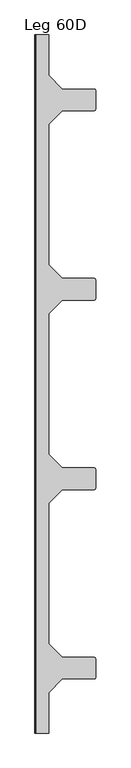
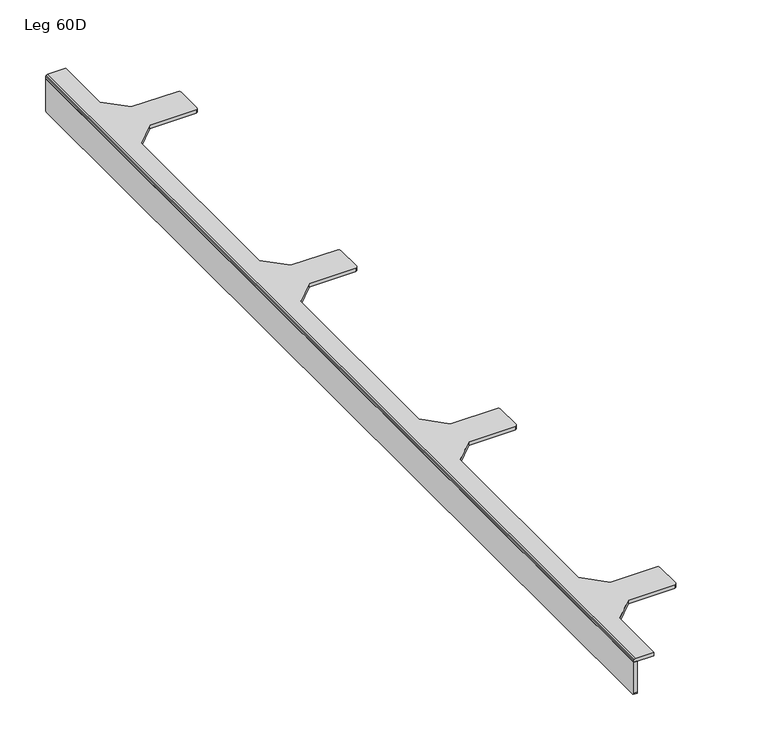
"""IFC4 building model written with IfcOpenShell, lengths in millimetres: furniture geometry, Leg 60D."""

import ifcopenshell
import ifcopenshell.guid

model = None  # the IFC model being written
_history = None  # IfcOwnerHistory: only IFC2X3 demands one
_inside = {}  # id of a spatial element -> (the spatial element, [elements in it])
_under = {}  # id of a project, library or spatial element -> (it, [spatial elements below it])
_declared = {}  # id of a project -> (the project, [libraries it declares])
_typed = {}  # id of a type object -> (the type object, [elements of that type])
_made_of = {}  # id of a material, layer set ... -> (it, [elements and type objects made of it])


def new_model(schema):
    """Start an empty IFC model of exactly this schema.

    Asked for "IFC4X3", IfcOpenShell would pick the latest addendum, in which some entities
    have other attributes; the version numbers below select the first issue.
    IFC2X3 requires an IfcOwnerHistory on every rooted entity: one is made here for all.
    """
    global model, _history
    if schema == "IFC4X3":
        model = ifcopenshell.file(schema_version=(4, 3, 0, 0))
    else:
        model = ifcopenshell.file(schema=schema)
    _inside.clear()
    _under.clear()
    _declared.clear()
    _typed.clear()
    _made_of.clear()
    _history = None
    if model.schema == "IFC2X3":
        org = make("IfcOrganization", Name="unknown")
        user = make(
            "IfcPersonAndOrganization",
            ThePerson=make("IfcPerson", FamilyName="unknown"),
            TheOrganization=org,
        )
        app = make(
            "IfcApplication",
            ApplicationDeveloper=org,
            Version="unknown",
            ApplicationFullName="unknown",
            ApplicationIdentifier="unknown",
        )
        _history = make(
            "IfcOwnerHistory",
            OwningUser=user,
            OwningApplication=app,
            ChangeAction="ADDED",
            CreationDate=0,
        )
    return model


def make(cls, **values):
    """One entity of the class cls with the attributes given. An attribute that is None is left unset."""
    return model.create_entity(
        cls, **{name: value for name, value in values.items() if value is not None}
    )


def rooted(cls, **values):
    """An entity with a GlobalId (a new one), such as an element, a storey or a relation."""
    return make(cls, GlobalId=ifcopenshell.guid.new(), OwnerHistory=_history, **values)


def si_unit(unit_type, name, prefix=None):
    """IfcSIUnit, for example si_unit("LENGTHUNIT", "METRE", prefix="MILLI")."""
    return make("IfcSIUnit", UnitType=unit_type, Prefix=prefix, Name=name)


def assignment(units):
    """IfcUnitAssignment: the units of a project."""
    return None if units is None else make("IfcUnitAssignment", Units=units)


def point(xyz):
    """IfcCartesianPoint."""
    return None if xyz is None else make("IfcCartesianPoint", Coordinates=xyz)


def direction(xyz):
    """IfcDirection."""
    return None if xyz is None else make("IfcDirection", DirectionRatios=xyz)


def frame(location, z_axis=None, x_axis=None):
    """IfcAxis2Placement3D, a coordinate frame: its origin and axes. An axis left out is left unset."""
    return make(
        "IfcAxis2Placement3D",
        Location=point(location),
        Axis=direction(z_axis),
        RefDirection=direction(x_axis),
    )


def origin():
    """The frame at (0, 0, 0) with its axes left unset."""
    return frame((0.0, 0.0, 0.0))


def place(relative_to, where):
    """IfcLocalPlacement: puts the frame where relative to a parent placement (None: the world)."""
    return make(
        "IfcLocalPlacement", PlacementRelTo=relative_to, RelativePlacement=where
    )


def context(
    kind, dimensions, precision=None, world=None, true_north=None, identifier=None
):
    """IfcGeometricRepresentationContext, for example the 3D "Model" context."""
    return make(
        "IfcGeometricRepresentationContext",
        ContextIdentifier=identifier,
        ContextType=kind,
        CoordinateSpaceDimension=dimensions,
        Precision=precision,
        WorldCoordinateSystem=world,
        TrueNorth=true_north,
    )


def project(units=None, contexts=None):
    """IfcProject with its units and contexts."""
    return rooted(
        "IfcProject",
        Name="project",
        RepresentationContexts=contexts,
        UnitsInContext=assignment(units),
    )


def spatial(cls, under=None, at=None, **own):
    """A site, building, storey or space (cls), placed at a placement, below another one or the project."""
    s = rooted(cls, ObjectPlacement=at, **own)
    if under is not None:
        _under.setdefault(under.id(), (under, []))[1].append(s)
    return s


def polyline(points):
    """IfcPolyline through the points."""
    return make("IfcPolyline", Points=[point(p) for p in points])


def outline(outer, holes=None, kind="AREA"):
    """IfcArbitraryClosedProfileDef: a profile drawn as a closed curve; with holes, ...WithVoids."""
    if holes is None:
        return make("IfcArbitraryClosedProfileDef", ProfileType=kind, OuterCurve=outer)
    return make(
        "IfcArbitraryProfileDefWithVoids",
        ProfileType=kind,
        OuterCurve=outer,
        InnerCurves=holes,
    )


def extrude(swept, where, along, depth):
    """IfcExtrudedAreaSolid: the profile swept, set in the frame where, extruded along a direction by depth."""
    return make(
        "IfcExtrudedAreaSolid",
        SweptArea=swept,
        Position=where,
        ExtrudedDirection=direction(along),
        Depth=depth,
    )


def faces_of(points, faces, orient=None, outer=None):
    """IfcFace entities. A face is a list of loops; a loop is a list of indices into points, from 0.

    orient and outer hold one flag for each loop. By default every Orientation is true, the
    first loop of a face is its IfcFaceOuterBound and the others are IfcFaceBound.
    """
    made = []
    for i, loops in enumerate(faces):
        bounds = []
        for j, loop in enumerate(loops):
            is_outer = j == 0 if outer is None else outer[i][j]
            bounds.append(
                make(
                    "IfcFaceOuterBound" if is_outer else "IfcFaceBound",
                    Bound=make("IfcPolyLoop", Polygon=[points[k] for k in loop]),
                    Orientation=True if orient is None else orient[i][j],
                )
            )
        made.append(make("IfcFace", Bounds=bounds))
    return made


def faceted_brep(points, faces, orient=None, outer=None, voids=None):
    """IfcFacetedBrep: a solid bounded by flat faces; with voids (closed shells), ...WithVoids."""
    shared = [point(p) for p in points]
    hull = make("IfcClosedShell", CfsFaces=faces_of(shared, faces, orient, outer))
    if voids is None:
        return make("IfcFacetedBrep", Outer=hull)
    return make(
        "IfcFacetedBrepWithVoids",
        Outer=hull,
        Voids=[
            make(cls, CfsFaces=faces_of(shared, fs, o, b)) for cls, fs, o, b in voids
        ],
    )


def shape(context_of_items, identifier, shape_type, items):
    """IfcShapeRepresentation: the items that make up one representation, for example the "Body"."""
    return make(
        "IfcShapeRepresentation",
        ContextOfItems=context_of_items,
        RepresentationIdentifier=identifier,
        RepresentationType=shape_type,
        Items=items,
    )


def source(mapping_origin, context_of_items, identifier, shape_type, items):
    """IfcRepresentationMap: a shape defined once, which mapped items show again and again."""
    return make(
        "IfcRepresentationMap",
        MappingOrigin=mapping_origin,
        MappedRepresentation=shape(context_of_items, identifier, shape_type, items),
    )


def transform(
    local_origin,
    x_axis=None,
    y_axis=None,
    z_axis=None,
    scale=None,
    scale2=None,
    scale3=None,
    uniform=True,
):
    """IfcCartesianTransformationOperator3D, or its non-uniform kind. x_axis, y_axis, z_axis: its Axis1, 2, 3."""
    if uniform:
        return make(
            "IfcCartesianTransformationOperator3D",
            Axis1=direction(x_axis),
            Axis2=direction(y_axis),
            LocalOrigin=point(local_origin),
            Scale=scale,
            Axis3=direction(z_axis),
        )
    return make(
        "IfcCartesianTransformationOperator3DnonUniform",
        Axis1=direction(x_axis),
        Axis2=direction(y_axis),
        LocalOrigin=point(local_origin),
        Scale=scale,
        Axis3=direction(z_axis),
        Scale2=scale2,
        Scale3=scale3,
    )


def mapped(mapping_source, mapping_target):
    """IfcMappedItem: shows the shape of a source again, moved by a transform."""
    return make(
        "IfcMappedItem", MappingSource=mapping_source, MappingTarget=mapping_target
    )


def made_of(thing, what):
    """Note that an element or type object is made of a material, layer set ...; save() writes the relation."""
    if what is not None:
        _made_of.setdefault(what.id(), (what, []))[1].append(thing)
    return thing


def element(
    cls,
    number,
    at=None,
    inside=None,
    cuts=None,
    type_object=None,
    material=None,
    context=None,
    identifier="Body",
    shape_type=None,
    held_by="IfcProductDefinitionShape",
    body=None,
    shapes=None,
    **own,
):
    """One element of the class cls, such as IfcWall. Its Tag is "e" and its number.

    at: its placement. inside: the storey or other place that contains it. cuts: it is an
    opening in that element (IfcRelVoidsElement). A single representation is given by context,
    identifier, shape_type and body (its items); several are given by shapes. held_by: the class
    of the entity that holds the representations. save() writes the other relations.
    """
    e = rooted(cls, Tag="e%d" % number, ObjectPlacement=at, **own)
    if body is not None:
        shapes = [shape(context, identifier, shape_type, body)]
    if shapes is not None:
        e.Representation = make(held_by, Representations=shapes)
    if inside is not None:
        _inside.setdefault(inside.id(), (inside, []))[1].append(e)
    if cuts is not None:
        rooted(
            "IfcRelVoidsElement", RelatingBuildingElement=cuts, RelatedOpeningElement=e
        )
    if type_object is not None:
        _typed.setdefault(type_object.id(), (type_object, []))[1].append(e)
    return made_of(e, material)


def aggregate(whole, parts):
    """IfcRelAggregates: a whole, such as a stair, and the parts it consists of."""
    return rooted("IfcRelAggregates", RelatingObject=whole, RelatedObjects=parts)


def save(model, path):
    """Write the relations noted so far, then the file.

    IfcRelAggregates (storeys below a building ...), IfcRelContainedInSpatialStructure (elements
    in a storey), IfcRelDefinesByType, IfcRelAssociatesMaterial and IfcRelDeclares: one each for
    every whole, place, type object, material and project.
    """
    for whole, parts in _under.values():
        aggregate(whole, parts)
    for where, things in _inside.values():
        rooted(
            "IfcRelContainedInSpatialStructure",
            RelatedElements=things,
            RelatingStructure=where,
        )
    for kind, things in _typed.values():
        rooted("IfcRelDefinesByType", RelatedObjects=things, RelatingType=kind)
    for what, things in _made_of.values():
        rooted("IfcRelAssociatesMaterial", RelatedObjects=things, RelatingMaterial=what)
    for by, libraries in _declared.values():
        rooted("IfcRelDeclares", RelatingContext=by, RelatedDefinitions=libraries)
    model.write(path)


def leg_60d_b6bd0a25(model_context):
    return source(origin(), model_context, "Body", "SolidModel", [
        extrude(outline(polyline([(-645.0076, 644.4608809), (645.0076, 644.4608809), (645.0076, 603.0590079), (644.1955808, 601.0986294), (642.4278108, 600.3663703), (-642.4277898, 600.3663703), (-644.1955802, 601.098613), (-645.0076, 603.0590024), (-645.0076, 644.4608809)])), frame((0.0, 0.0, 0.0), z_axis=(1.0, 0.0, 0.0), x_axis=(0.0, 1.0, 0.0)), (0.0, 0.0, 1.0), 4.75552),
        faceted_brep([(25.4000008, -645.0076, 649.2164045), (25.4000008, -570.4076113, 649.2164045), (50.8000015, -545.0075992, 649.2164045), (109.8100034, -545.0075992, 649.2164045), (111.5777643, -544.2753765, 649.2164045), (112.3099961, -542.5076065, 649.2164045), (112.3099961, -507.507599, 649.2164045), (111.5777643, -505.7398289, 649.2164045), (109.8100034, -505.0076062, 649.2164045), (50.8000015, -505.0076062, 649.2164045), (25.4000008, -479.6075941, 649.2164045), (25.4000008, -220.3999918, 649.2164045), (50.8000015, -194.9999979, 649.2164045), (109.8100034, -194.9999979, 649.2164045), (111.5777643, -194.2677751, 649.2164045), (112.3099961, -192.5000051, 649.2164045), (112.3099961, -157.4999976, 649.2164045), (111.5777643, -155.7322276, 649.2164045), (109.8100034, -155.0000048, 649.2164045), (50.8000015, -155.0000048, 649.2164045), (25.4000008, -129.6000018, 649.2164045), (25.4000008, 129.6000018, 649.2164045), (50.8000015, 155.0000048, 649.2164045), (109.8100034, 155.0000048, 649.2164045), (111.5777643, 155.7322276, 649.2164045), (112.3099961, 157.4999976, 649.2164045), (112.3099961, 192.5000051, 649.2164045), (111.5777643, 194.2677751, 649.2164045), (109.8100034, 194.9999979, 649.2164045), (50.8000015, 194.9999979, 649.2164045), (25.4000008, 220.3999918, 649.2164045), (25.4000008, 479.6075941, 649.2164045), (50.8000015, 505.0076062, 649.2164045), (109.8100034, 505.0076062, 649.2164045), (111.5777643, 505.7398289, 649.2164045), (112.3099961, 507.507599, 649.2164045), (112.3099961, 542.5076065, 649.2164045), (111.5777643, 544.2753765, 649.2164045), (109.8100034, 545.0075992, 649.2164045), (50.8000015, 545.0075992, 649.2164045), (25.4000008, 570.4076113, 649.2164045), (25.4000008, 645.0076, 649.2164045), (2.5000001, 645.0076, 649.2164045), (2.5000001, -645.0076, 649.2164045), (0.0, -645.0076, 644.4608809), (0.0, 645.0076, 644.4608809), (25.4000008, 645.0076, 644.4608809), (25.4000008, 570.4076113, 644.4608809), (50.8000015, 545.0075992, 644.4608809), (109.8100034, 545.0075992, 644.4608809), (111.5777643, 544.2753765, 644.4608809), (112.3099961, 542.5076065, 644.4608809), (112.3099961, 507.507599, 644.4608809), (111.5777643, 505.7398289, 644.4608809), (109.8100034, 505.0076062, 644.4608809), (50.8000015, 505.0076062, 644.4608809), (25.4000008, 479.6075941, 644.4608809), (25.4000008, 220.3999918, 644.4608809), (50.8000015, 194.9999979, 644.4608809), (109.8100034, 194.9999979, 644.4608809), (111.5777643, 194.2677751, 644.4608809), (112.3099961, 192.5000051, 644.4608809), (112.3099961, 157.4999976, 644.4608809), (111.5777643, 155.7322276, 644.4608809), (109.8100034, 155.0000048, 644.4608809), (50.8000015, 155.0000048, 644.4608809), (25.4000008, 129.6000018, 644.4608809), (25.4000008, -129.6000018, 644.4608809), (50.8000015, -155.0000048, 644.4608809), (109.8100034, -155.0000048, 644.4608809), (111.5777643, -155.7322276, 644.4608809), (112.3099961, -157.4999976, 644.4608809), (112.3099961, -192.5000051, 644.4608809), (111.5777643, -194.2677751, 644.4608809), (109.8100034, -194.9999979, 644.4608809), (50.8000015, -194.9999979, 644.4608809), (25.4000008, -220.3999918, 644.4608809), (25.4000008, -479.6075941, 644.4608809), (50.8000015, -505.0076062, 644.4608809), (109.8100034, -505.0076062, 644.4608809), (111.5777643, -505.7398289, 644.4608809), (112.3099961, -507.507599, 644.4608809), (112.3099961, -542.5076065, 644.4608809), (111.5777643, -544.2753765, 644.4608809), (109.8100034, -545.0075992, 644.4608809), (50.8000015, -545.0075992, 644.4608809), (25.4000008, -570.4076113, 644.4608809), (25.4000008, -645.0076, 644.4608809), (0.732233, -645.0076, 648.4841818), (0.0, -645.0076, 646.7164118), (0.0, 645.0076, 646.7164118), (0.732233, 645.0076, 648.4841818)], [[[0, 1, 2, 3, 4, 5, 6, 7, 8, 9, 10, 11, 12, 13, 14, 15, 16, 17, 18, 19, 20, 21, 22, 23, 24, 25, 26, 27, 28, 29, 30, 31, 32, 33, 34, 35, 36, 37, 38, 39, 40, 41, 42, 43]], [[44, 45, 46, 47, 48, 49, 50, 51, 52, 53, 54, 55, 56, 57, 58, 59, 60, 61, 62, 63, 64, 65, 66, 67, 68, 69, 70, 71, 72, 73, 74, 75, 76, 77, 78, 79, 80, 81, 82, 83, 84, 85, 86, 87]], [[44, 87, 0, 43, 88, 89]], [[1, 0, 87, 86]], [[2, 1, 86, 85]], [[3, 2, 85, 84]], [[4, 3, 84, 83]], [[5, 4, 83, 82]], [[6, 5, 82, 81]], [[7, 6, 81, 80]], [[8, 7, 80, 79]], [[9, 8, 79, 78]], [[10, 9, 78, 77]], [[31, 30, 57, 56]], [[32, 31, 56, 55]], [[33, 32, 55, 54]], [[34, 33, 54, 53]], [[35, 34, 53, 52]], [[36, 35, 52, 51]], [[37, 36, 51, 50]], [[38, 37, 50, 49]], [[39, 38, 49, 48]], [[40, 39, 48, 47]], [[41, 40, 47, 46]], [[46, 45, 90, 91, 42, 41]], [[45, 44, 89, 90]], [[11, 10, 77, 76]], [[12, 11, 76, 75]], [[13, 12, 75, 74]], [[14, 13, 74, 73]], [[15, 14, 73, 72]], [[16, 15, 72, 71]], [[17, 16, 71, 70]], [[18, 17, 70, 69]], [[19, 18, 69, 68]], [[20, 19, 68, 67]], [[21, 20, 67, 66]], [[22, 21, 66, 65]], [[23, 22, 65, 64]], [[24, 23, 64, 63]], [[25, 24, 63, 62]], [[26, 25, 62, 61]], [[27, 26, 61, 60]], [[28, 27, 60, 59]], [[29, 28, 59, 58]], [[30, 29, 58, 57]], [[91, 88, 43, 42]], [[88, 91, 90, 89]]]),
    ])


if __name__ == "__main__":
    model = new_model("IFC4")
    model_context = context("Model", 3, world=origin())
    ifc_project = project(units=[si_unit("LENGTHUNIT", "METRE", prefix="MILLI")], contexts=[model_context])
    site = spatial("IfcSite", under=ifc_project)
    building = spatial("IfcBuilding", under=site)
    placement = place(None, origin())
    leg_60d_shape = leg_60d_b6bd0a25(model_context)
    element("IfcFurniture", 1, ObjectType="Leg 60D", at=placement, inside=building, context=model_context, shape_type="MappedRepresentation", body=[
        mapped(leg_60d_shape, transform((0.0, 0.0, 0.0), x_axis=(1.0, 0.0, 0.0), y_axis=(0.0, 1.0, 0.0), z_axis=(0.0, 0.0, 1.0))),
    ])
    save(model, "model.ifc")
